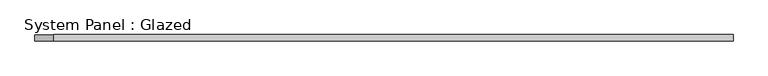
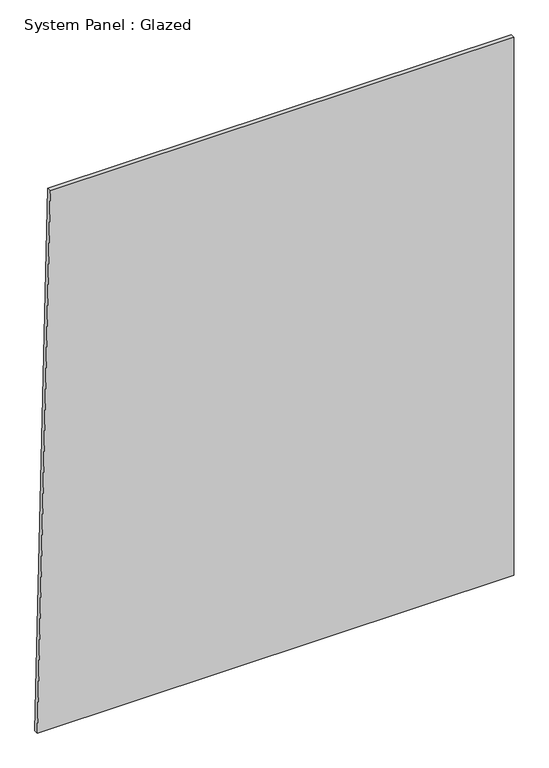
"""IFC4 building model written with IfcOpenShell, lengths in millimetres: plate geometry, System Panel : Glazed."""

from ifc_helpers import new_model, si_unit, frame, origin, place, context, project, spatial, polyline, outline, extrude, source, transform, mapped, element, save


def system_panel_glazed_0e314648(model_context):
    return source(origin(), model_context, "Body", "SweptSolid", [
        extrude(outline(polyline([(0.0, -1400.0), (0.0, 1400.0), (3342.6754788, 1400.0), (3342.6754788, -1324.0912036), (0.0, -1400.0)])), frame((0.0, -49.5, 0.0), z_axis=(0.0, 1.0, 0.0), x_axis=(0.0, 0.0, 1.0)), (0.0, 0.0, 1.0), 25.0),
    ])


if __name__ == "__main__":
    model = new_model("IFC4")
    model_context = context("Model", 3, world=origin())
    ifc_project = project(units=[si_unit("LENGTHUNIT", "METRE", prefix="MILLI")], contexts=[model_context])
    site = spatial("IfcSite", under=ifc_project)
    building = spatial("IfcBuilding", under=site)
    placement = place(None, origin())
    system_panel_glazed_shape = system_panel_glazed_0e314648(model_context)
    element("IfcPlate", 1, ObjectType="System Panel : Glazed", at=placement, inside=building, context=model_context, shape_type="MappedRepresentation", body=[
        mapped(system_panel_glazed_shape, transform((0.0, 0.0, 0.0), x_axis=(1.0, 0.0, 0.0), y_axis=(0.0, 1.0, 0.0), z_axis=(0.0, 0.0, 1.0))),
    ])
    save(model, "model.ifc")
